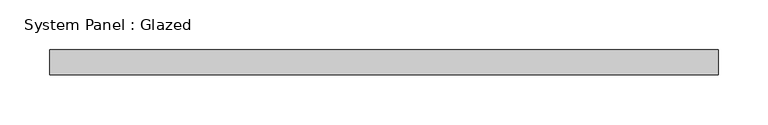
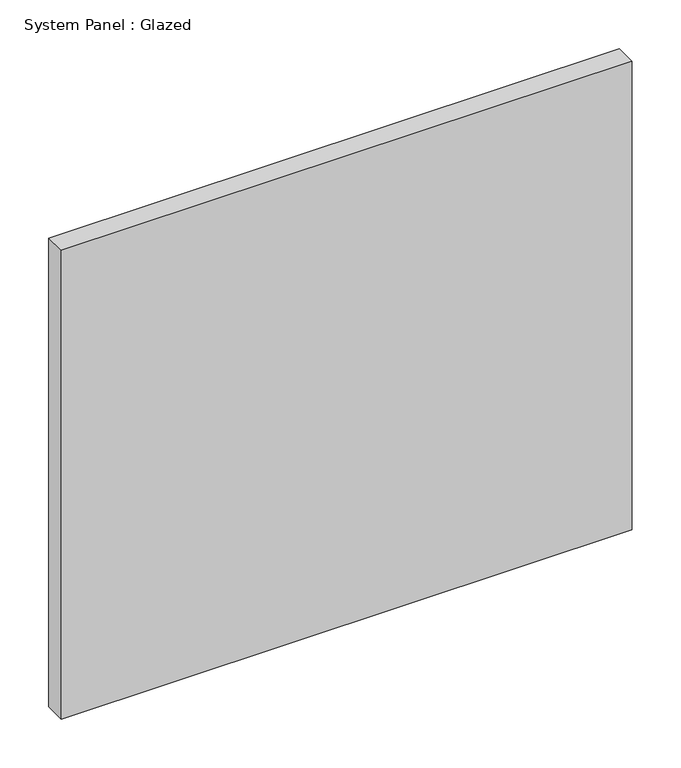
"""IFC4 building model written with IfcOpenShell, lengths in millimetres: plate geometry, System Panel : Glazed."""

from ifc_helpers import new_model, si_unit, origin, origin_with_axes, place, context, project, spatial, polyline, outline, extrude, source, transform, mapped, element, save


def system_panel_glazed_4c19b322(model_context):
    return source(origin(), model_context, "Body", "SweptSolid", [
        extrude(outline(polyline([(336.55, -44.45), (-336.55, -44.45), (-336.55, -19.05), (336.55, -19.05), (336.55, -44.45)])), origin_with_axes(), (0.0, 0.0, 1.0), 584.2),
    ])


if __name__ == "__main__":
    model = new_model("IFC4")
    model_context = context("Model", 3, world=origin())
    ifc_project = project(units=[si_unit("LENGTHUNIT", "METRE", prefix="MILLI")], contexts=[model_context])
    site = spatial("IfcSite", under=ifc_project)
    building = spatial("IfcBuilding", under=site)
    placement = place(None, origin())
    system_panel_glazed_shape = system_panel_glazed_4c19b322(model_context)
    element("IfcPlate", 1, ObjectType="System Panel : Glazed", at=placement, inside=building, context=model_context, shape_type="MappedRepresentation", body=[
        mapped(system_panel_glazed_shape, transform((0.0, 0.0, 0.0), x_axis=(1.0, 0.0, 0.0), y_axis=(0.0, 1.0, 0.0), z_axis=(0.0, 0.0, 1.0))),
    ])
    save(model, "model.ifc")
